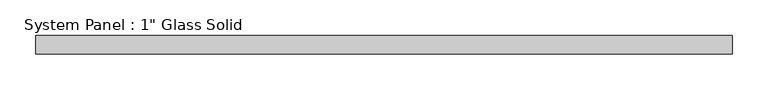
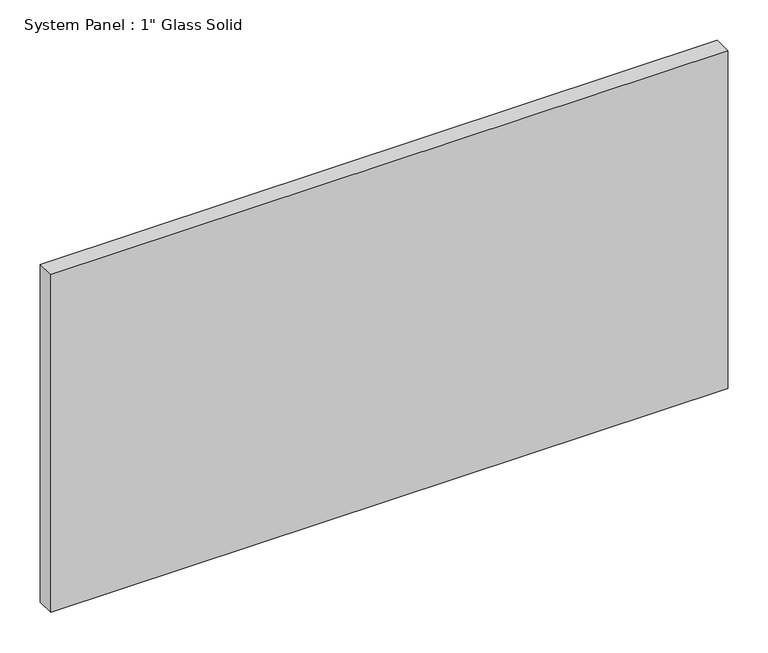
"""IFC4 building model written with IfcOpenShell, lengths in millimetres: plate geometry."""

from ifc_helpers import new_model, si_unit, origin, origin_with_axes, place, context, project, spatial, polyline, outline, extrude, source, transform, mapped, element, save


def plate_0fd2df08(model_context):
    return source(origin(), model_context, "Body", "SweptSolid", [
        extrude(outline(polyline([(484.1875, -12.7), (-484.1875, -12.7), (-484.1875, 12.7), (484.1875, 12.7), (484.1875, -12.7)])), origin_with_axes(), (0.0, 0.0, 1.0), 511.175),
    ])


if __name__ == "__main__":
    model = new_model("IFC4")
    model_context = context("Model", 3, world=origin())
    ifc_project = project(units=[si_unit("LENGTHUNIT", "METRE", prefix="MILLI")], contexts=[model_context])
    site = spatial("IfcSite", under=ifc_project)
    building = spatial("IfcBuilding", under=site)
    placement = place(None, origin())
    plate_shape = plate_0fd2df08(model_context)
    element("IfcPlate", 1, ObjectType="System Panel : 1\" Glass Solid", at=placement, inside=building, context=model_context, shape_type="MappedRepresentation", body=[
        mapped(plate_shape, transform((0.0, 0.0, 0.0), x_axis=(1.0, 0.0, 0.0), y_axis=(0.0, 1.0, 0.0), z_axis=(0.0, 0.0, 1.0))),
    ])
    save(model, "model.ifc")
